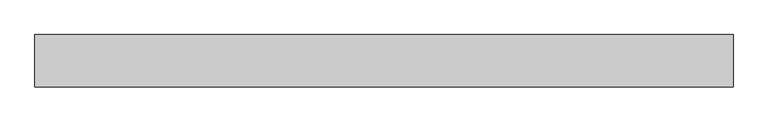
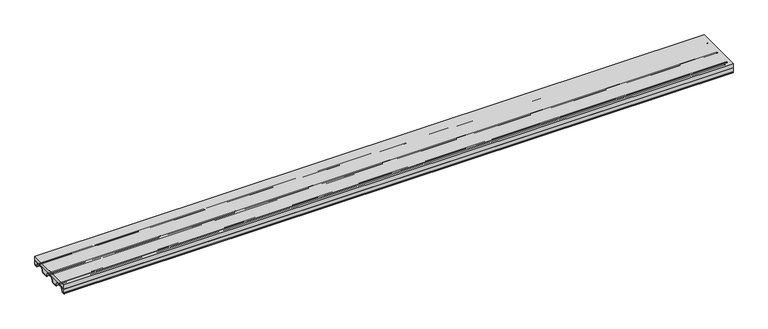
"""IFC4 building model written with IfcOpenShell, lengths in millimetres: beam geometry."""

from ifc_helpers import new_model, si_unit, point, frame, frame_2d, origin, place, context, project, spatial, polyline, circle_curve, trimmed, segment, composite_curve, outline, extrude, source, transform, mapped, element, save


def beam_3dcf1d05(model_context):
    return source(origin(), model_context, "Body", "SweptSolid", [
        extrude(outline(composite_curve([segment(trimmed(circle_curve(frame_2d((325.9868702, -87.4742166)), 3.048), [point((325.9868702, -90.5222166))], [point((323.8316087, -85.3189552))], False, "CARTESIAN"), True, "CONTINUOUS"), segment(polyline([(323.8316087, -85.3189552), (325.0249331, -84.1256307)]), True, "CONTINUOUS"), segment(trimmed(circle_curve(frame_2d((323.9473024, -83.048)), 1.524), [point((325.0249331, -84.1256307))], [point((323.9473024, -81.524))], True, "CARTESIAN"), True, "CONTINUOUS"), segment(polyline([(323.9473024, -81.524), (276.0557453, -81.524)]), True, "CONTINUOUS"), segment(trimmed(circle_curve(frame_2d((276.0557453, -83.048)), 1.524), [point((276.0557453, -81.524))], [point((274.9781146, -84.1256307))], True, "CARTESIAN"), True, "CONTINUOUS"), segment(polyline([(274.9781146, -84.1256307), (276.171439, -85.3189552)]), True, "CONTINUOUS"), segment(trimmed(circle_curve(frame_2d((274.0161776, -87.4742166)), 3.048), [point((276.171439, -85.3189552))], [point((274.0161776, -90.5222166))], False, "CARTESIAN"), True, "CONTINUOUS"), segment(polyline([(274.0161776, -90.5222166), (238.9355625, -90.5222166)]), True, "CONTINUOUS"), segment(trimmed(circle_curve(frame_2d((238.9355625, -95.5260166)), 5.0038), [point((238.9355625, -90.5222166))], [point((234.35377, -93.5147503))], True, "CARTESIAN"), True, "CONTINUOUS"), segment(polyline([(234.35377, -93.5147503), (202.7051551, -165.6123076)]), True, "CONTINUOUS"), segment(trimmed(circle_curve(frame_2d((196.7278928, -162.9884729)), 6.5278), [point((202.7051551, -165.6123076))], [point((196.7278928, -169.5162729))], False, "CARTESIAN"), True, "CONTINUOUS"), segment(polyline([(196.7278928, -169.5162729), (160.0058554, -169.5162729)]), True, "CONTINUOUS"), segment(trimmed(circle_curve(frame_2d((160.0058554, -164.9950729)), 4.5212), [point((160.0058554, -169.5162729))], [point((158.0238918, -169.0587005))], False, "CARTESIAN"), True, "CONTINUOUS"), segment(polyline([(158.0238918, -169.0587005), (151.3154129, -165.7867568)]), True, "CONTINUOUS"), segment(trimmed(circle_curve(frame_2d((150.0015269, -168.4806223)), 2.9972), [point((151.3154129, -165.7867568))], [point((148.6876409, -165.7867568))], True, "CARTESIAN"), True, "CONTINUOUS"), segment(polyline([(148.6876409, -165.7867568), (141.979162, -169.0587005)]), True, "CONTINUOUS"), segment(trimmed(circle_curve(frame_2d((139.9971984, -164.9950729)), 4.5212), [point((141.979162, -169.0587005))], [point((139.9971984, -169.5162729))], False, "CARTESIAN"), True, "CONTINUOUS"), segment(polyline([(139.9971984, -169.5162729), (103.275161, -169.5162729)]), True, "CONTINUOUS"), segment(trimmed(circle_curve(frame_2d((103.275161, -162.9884729)), 6.5278), [point((103.275161, -169.5162729))], [point((97.2978987, -165.6123076))], False, "CARTESIAN"), True, "CONTINUOUS"), segment(polyline([(97.2978987, -165.6123076), (65.6492838, -93.5147503)]), True, "CONTINUOUS"), segment(trimmed(circle_curve(frame_2d((61.0674913, -95.5260166)), 5.0038), [point((65.6492838, -93.5147503))], [point((61.0674913, -90.5222166))], True, "CARTESIAN"), True, "CONTINUOUS"), segment(polyline([(61.0674913, -90.5222166), (25.9868762, -90.5222166)]), True, "CONTINUOUS"), segment(trimmed(circle_curve(frame_2d((25.9868762, -87.4742166)), 3.048), [point((25.9868762, -90.5222166))], [point((23.8316148, -85.3189552))], False, "CARTESIAN"), True, "CONTINUOUS"), segment(polyline([(23.8316148, -85.3189552), (25.0249392, -84.1256307)]), True, "CONTINUOUS"), segment(trimmed(circle_curve(frame_2d((23.9473085, -83.048)), 1.524), [point((25.0249392, -84.1256307))], [point((23.9473085, -81.524))], True, "CARTESIAN"), True, "CONTINUOUS"), segment(polyline([(23.9473085, -81.524), (-23.9442486, -81.524)]), True, "CONTINUOUS"), segment(trimmed(circle_curve(frame_2d((-23.9442486, -83.048)), 1.524), [point((-23.9442486, -81.524))], [point((-25.0218793, -84.1256307))], True, "CARTESIAN"), True, "CONTINUOUS"), segment(polyline([(-25.0218793, -84.1256307), (-23.8285549, -85.3189552)]), True, "CONTINUOUS"), segment(trimmed(circle_curve(frame_2d((-25.9838164, -87.4742166)), 3.048), [point((-23.8285549, -85.3189552))], [point((-25.9838164, -90.5222166))], False, "CARTESIAN"), True, "CONTINUOUS"), segment(polyline([(-25.9838164, -90.5222166), (-61.0644314, -90.5222166)]), True, "CONTINUOUS"), segment(trimmed(circle_curve(frame_2d((-61.0644314, -95.5260166)), 5.0038), [point((-61.0644314, -90.5222166))], [point((-65.6462239, -93.5147503))], True, "CARTESIAN"), True, "CONTINUOUS"), segment(polyline([(-65.6462239, -93.5147503), (-97.2948388, -165.6123076)]), True, "CONTINUOUS"), segment(trimmed(circle_curve(frame_2d((-103.2721011, -162.9884729)), 6.5278), [point((-97.2948388, -165.6123076))], [point((-103.2721011, -169.5162729))], False, "CARTESIAN"), True, "CONTINUOUS"), segment(polyline([(-103.2721011, -169.5162729), (-139.9941385, -169.5162729)]), True, "CONTINUOUS"), segment(trimmed(circle_curve(frame_2d((-139.9941385, -164.9950729)), 4.5212), [point((-139.9941385, -169.5162729))], [point((-141.9761022, -169.0587005))], False, "CARTESIAN"), True, "CONTINUOUS"), segment(polyline([(-141.9761022, -169.0587005), (-148.6845811, -165.7867568)]), True, "CONTINUOUS"), segment(trimmed(circle_curve(frame_2d((-149.9984671, -168.4806223)), 2.9972), [point((-148.6845811, -165.7867568))], [point((-151.3123531, -165.7867568))], True, "CARTESIAN"), True, "CONTINUOUS"), segment(polyline([(-151.3123531, -165.7867568), (-158.0208319, -169.0587005)]), True, "CONTINUOUS"), segment(trimmed(circle_curve(frame_2d((-160.0027956, -164.9950729)), 4.5212), [point((-158.0208319, -169.0587005))], [point((-160.0027956, -169.5162729))], False, "CARTESIAN"), True, "CONTINUOUS"), segment(polyline([(-160.0027956, -169.5162729), (-196.724833, -169.5162729)]), True, "CONTINUOUS"), segment(trimmed(circle_curve(frame_2d((-196.724833, -162.9884729)), 6.5278), [point((-196.724833, -169.5162729))], [point((-202.7020952, -165.6123076))], False, "CARTESIAN"), True, "CONTINUOUS"), segment(polyline([(-202.7020952, -165.6123076), (-234.3507102, -93.5147503)]), True, "CONTINUOUS"), segment(trimmed(circle_curve(frame_2d((-238.9325027, -95.5260166)), 5.0038), [point((-234.3507102, -93.5147503))], [point((-238.9325027, -90.5222166))], True, "CARTESIAN"), True, "CONTINUOUS"), segment(polyline([(-238.9325027, -90.5222166), (-274.0131177, -90.5222166)]), True, "CONTINUOUS"), segment(trimmed(circle_curve(frame_2d((-274.0131177, -87.4742166)), 3.048), [point((-274.0131177, -90.5222166))], [point((-276.1683792, -85.3189552))], False, "CARTESIAN"), True, "CONTINUOUS"), segment(polyline([(-276.1683792, -85.3189552), (-274.9750548, -84.1256307)]), True, "CONTINUOUS"), segment(trimmed(circle_curve(frame_2d((-276.0526855, -83.048)), 1.524), [point((-274.9750548, -84.1256307))], [point((-276.0526855, -81.524))], True, "CARTESIAN"), True, "CONTINUOUS"), segment(polyline([(-276.0526855, -81.524), (-323.9442425, -81.524)]), True, "CONTINUOUS"), segment(trimmed(circle_curve(frame_2d((-323.9442425, -83.048)), 1.524), [point((-323.9442425, -81.524))], [point((-325.0218733, -84.1256307))], True, "CARTESIAN"), True, "CONTINUOUS"), segment(polyline([(-325.0218733, -84.1256307), (-323.8285489, -85.3189552)]), True, "CONTINUOUS"), segment(trimmed(circle_curve(frame_2d((-325.9838103, -87.4742166)), 3.048), [point((-323.8285489, -85.3189552))], [point((-325.9838103, -90.5222166))], False, "CARTESIAN"), True, "CONTINUOUS"), segment(polyline([(-325.9838103, -90.5222166), (-361.0644254, -90.5222166)]), True, "CONTINUOUS"), segment(trimmed(circle_curve(frame_2d((-361.0644254, -95.5260166)), 5.0038), [point((-361.0644254, -90.5222166))], [point((-365.6462178, -93.5147503))], True, "CARTESIAN"), True, "CONTINUOUS"), segment(polyline([(-365.6462178, -93.5147503), (-397.2948328, -165.6123076)]), True, "CONTINUOUS"), segment(trimmed(circle_curve(frame_2d((-403.2720951, -162.9884729)), 6.5278), [point((-397.2948328, -165.6123076))], [point((-403.2720951, -169.5162729))], False, "CARTESIAN"), True, "CONTINUOUS"), segment(polyline([(-403.2720951, -169.5162729), (-445.2863434, -169.5162729)]), True, "CONTINUOUS"), segment(trimmed(circle_curve(frame_2d((-445.2863434, -164.9950729)), 4.5212), [point((-445.2863434, -169.5162729))], [point((-449.7903389, -165.3891214))], False, "CARTESIAN"), True, "CONTINUOUS"), segment(polyline([(-449.7903389, -165.3891214), (-450.7358163, -154.5822653), (-449.2176206, -154.4493822), (-448.2721382, -165.2562961)]), True, "CONTINUOUS"), segment(trimmed(circle_curve(frame_2d((-445.2863434, -164.9950729)), 2.9972), [point((-448.2721382, -165.2562961))], [point((-445.2863434, -167.9922729))], True, "CARTESIAN"), True, "CONTINUOUS"), segment(polyline([(-445.2863434, -167.9922729), (-403.2720951, -167.9922729)]), True, "CONTINUOUS"), segment(trimmed(circle_curve(frame_2d((-403.2720951, -162.9884729)), 5.0038), [point((-403.2720951, -167.9922729))], [point((-398.6903026, -164.9997392))], True, "CARTESIAN"), True, "CONTINUOUS"), segment(polyline([(-398.6903026, -164.9997392), (-396.7498985, -160.5793753), (-397.5874284, -156.3879478)]), True, "CONTINUOUS"), segment(trimmed(circle_curve(frame_2d((-394.6234225, -155.795681)), 3.0226), [point((-397.5874284, -156.3879478))], [point((-397.3911043, -154.5807536))], False, "CARTESIAN"), True, "CONTINUOUS"), segment(polyline([(-397.3911043, -154.5807536), (-373.459026, -100.0619577)]), True, "CONTINUOUS"), segment(trimmed(circle_curve(frame_2d((-370.6913443, -101.276885)), 3.0226), [point((-373.459026, -100.0619577))], [point((-372.2616427, -98.6941978))], False, "CARTESIAN"), True, "CONTINUOUS"), segment(polyline([(-372.2616427, -98.6941978), (-368.6094413, -96.4736245), (-367.0416876, -92.9021819)]), True, "CONTINUOUS"), segment(trimmed(circle_curve(frame_2d((-361.0644254, -95.5260166)), 6.5278), [point((-367.0416876, -92.9021819))], [point((-361.0644254, -88.9982166))], False, "CARTESIAN"), True, "CONTINUOUS"), segment(polyline([(-361.0644254, -88.9982166), (-325.9838103, -88.9982166)]), True, "CONTINUOUS"), segment(trimmed(circle_curve(frame_2d((-325.9838103, -87.4742166)), 1.524), [point((-325.9838103, -88.9982166))], [point((-324.9061796, -86.3965859))], True, "CARTESIAN"), True, "CONTINUOUS"), segment(polyline([(-324.9061796, -86.3965859), (-326.099504, -85.2032615)]), True, "CONTINUOUS"), segment(trimmed(circle_curve(frame_2d((-323.9442425, -83.048)), 3.048), [point((-326.099504, -85.2032615))], [point((-323.9442425, -80.0))], False, "CARTESIAN"), True, "CONTINUOUS"), segment(polyline([(-323.9442425, -80.0), (-276.0526855, -80.0)]), True, "CONTINUOUS"), segment(trimmed(circle_curve(frame_2d((-276.0526855, -83.048)), 3.048), [point((-276.0526855, -80.0))], [point((-273.897424, -85.2032615))], False, "CARTESIAN"), True, "CONTINUOUS"), segment(polyline([(-273.897424, -85.2032615), (-275.0907484, -86.3965859)]), True, "CONTINUOUS"), segment(trimmed(circle_curve(frame_2d((-274.0131177, -87.4742166)), 1.524), [point((-275.0907484, -86.3965859))], [point((-274.0131177, -88.9982166))], True, "CARTESIAN"), True, "CONTINUOUS"), segment(polyline([(-274.0131177, -88.9982166), (-238.9325027, -88.9982166)]), True, "CONTINUOUS"), segment(trimmed(circle_curve(frame_2d((-238.9325027, -95.5260166)), 6.5278), [point((-238.9325027, -88.9982166))], [point((-232.9552404, -92.9021819))], False, "CARTESIAN"), True, "CONTINUOUS"), segment(polyline([(-232.9552404, -92.9021819), (-231.3879192, -96.4726393), (-227.7265182, -98.698806)]), True, "CONTINUOUS"), segment(trimmed(circle_curve(frame_2d((-229.2968166, -101.2814933)), 3.0226), [point((-227.7265182, -98.698806))], [point((-226.5291349, -100.0665659))], False, "CARTESIAN"), True, "CONTINUOUS"), segment(polyline([(-226.5291349, -100.0665659), (-202.5970566, -154.5853619)]), True, "CONTINUOUS"), segment(trimmed(circle_curve(frame_2d((-205.3647384, -155.8002892)), 3.0226), [point((-202.5970566, -154.5853619))], [point((-202.4007325, -156.392556))], False, "CARTESIAN"), True, "CONTINUOUS"), segment(polyline([(-202.4007325, -156.392556), (-203.2403721, -160.5945414), (-201.3066255, -164.9997392)]), True, "CONTINUOUS"), segment(trimmed(circle_curve(frame_2d((-196.724833, -162.9884729)), 5.0038), [point((-201.3066255, -164.9997392))], [point((-196.724833, -167.9922729))], True, "CARTESIAN"), True, "CONTINUOUS"), segment(polyline([(-196.724833, -167.9922729), (-160.0027956, -167.9922729)]), True, "CONTINUOUS"), segment(trimmed(circle_curve(frame_2d((-160.0027956, -164.9950729)), 2.9972), [point((-160.0027956, -167.9922729))], [point((-158.6889096, -167.6889384))], True, "CARTESIAN"), True, "CONTINUOUS"), segment(polyline([(-158.6889096, -167.6889384), (-151.9804307, -164.4169946)]), True, "CONTINUOUS"), segment(trimmed(circle_curve(frame_2d((-149.9984671, -168.4806223)), 4.5212), [point((-151.9804307, -164.4169946))], [point((-148.0165034, -164.4169946))], False, "CARTESIAN"), True, "CONTINUOUS"), segment(polyline([(-148.0165034, -164.4169946), (-141.3080245, -167.6889384)]), True, "CONTINUOUS"), segment(trimmed(circle_curve(frame_2d((-139.9941385, -164.9950729)), 2.9972), [point((-141.3080245, -167.6889384))], [point((-139.9941385, -167.9922729))], True, "CARTESIAN"), True, "CONTINUOUS"), segment(polyline([(-139.9941385, -167.9922729), (-103.2721011, -167.9922729)]), True, "CONTINUOUS"), segment(trimmed(circle_curve(frame_2d((-103.2721011, -162.9884729)), 5.0038), [point((-103.2721011, -167.9922729))], [point((-98.6903086, -164.9997392))], True, "CARTESIAN"), True, "CONTINUOUS"), segment(polyline([(-98.6903086, -164.9997392), (-96.7499046, -160.5793753), (-97.5874344, -156.3879478)]), True, "CONTINUOUS"), segment(trimmed(circle_curve(frame_2d((-94.6234286, -155.795681)), 3.0226), [point((-97.5874344, -156.3879478))], [point((-97.3911103, -154.5807536))], False, "CARTESIAN"), True, "CONTINUOUS"), segment(polyline([(-97.3911103, -154.5807536), (-73.4590321, -100.0619577)]), True, "CONTINUOUS"), segment(trimmed(circle_curve(frame_2d((-70.6913503, -101.276885)), 3.0226), [point((-73.4590321, -100.0619577))], [point((-72.2616488, -98.6941978))], False, "CARTESIAN"), True, "CONTINUOUS"), segment(polyline([(-72.2616488, -98.6941978), (-68.6094474, -96.4736245), (-67.0416937, -92.9021819)]), True, "CONTINUOUS"), segment(trimmed(circle_curve(frame_2d((-61.0644314, -95.5260166)), 6.5278), [point((-67.0416937, -92.9021819))], [point((-61.0644314, -88.9982166))], False, "CARTESIAN"), True, "CONTINUOUS"), segment(polyline([(-61.0644314, -88.9982166), (-25.9838164, -88.9982166)]), True, "CONTINUOUS"), segment(trimmed(circle_curve(frame_2d((-25.9838164, -87.4742166)), 1.524), [point((-25.9838164, -88.9982166))], [point((-24.9061856, -86.3965859))], True, "CARTESIAN"), True, "CONTINUOUS"), segment(polyline([(-24.9061856, -86.3965859), (-26.0995101, -85.2032615)]), True, "CONTINUOUS"), segment(trimmed(circle_curve(frame_2d((-23.9442486, -83.048)), 3.048), [point((-26.0995101, -85.2032615))], [point((-23.9442486, -80.0))], False, "CARTESIAN"), True, "CONTINUOUS"), segment(polyline([(-23.9442486, -80.0), (23.9473085, -80.0)]), True, "CONTINUOUS"), segment(trimmed(circle_curve(frame_2d((23.9473085, -83.048)), 3.048), [point((23.9473085, -80.0))], [point((26.1025699, -85.2032615))], False, "CARTESIAN"), True, "CONTINUOUS"), segment(polyline([(26.1025699, -85.2032615), (24.9092455, -86.3965859)]), True, "CONTINUOUS"), segment(trimmed(circle_curve(frame_2d((25.9868762, -87.4742166)), 1.524), [point((24.9092455, -86.3965859))], [point((25.9868762, -88.9982166))], True, "CARTESIAN"), True, "CONTINUOUS"), segment(polyline([(25.9868762, -88.9982166), (61.0674913, -88.9982166)]), True, "CONTINUOUS"), segment(trimmed(circle_curve(frame_2d((61.0674913, -95.5260166)), 6.5278), [point((61.0674913, -88.9982166))], [point((67.0447535, -92.9021819))], False, "CARTESIAN"), True, "CONTINUOUS"), segment(polyline([(67.0447535, -92.9021819), (68.612291, -96.4731319), (72.2728818, -98.698806)]), True, "CONTINUOUS"), segment(trimmed(circle_curve(frame_2d((70.7025833, -101.2814933)), 3.0226), [point((72.2728818, -98.698806))], [point((73.4702651, -100.0665659))], False, "CARTESIAN"), True, "CONTINUOUS"), segment(polyline([(73.4702651, -100.0665659), (97.4023433, -154.5853619)]), True, "CONTINUOUS"), segment(trimmed(circle_curve(frame_2d((94.6346616, -155.8002892)), 3.0226), [point((97.4023433, -154.5853619))], [point((97.5986674, -156.392556))], False, "CARTESIAN"), True, "CONTINUOUS"), segment(polyline([(97.5986674, -156.392556), (96.7592137, -160.5936116), (98.6933685, -164.9997392)]), True, "CONTINUOUS"), segment(trimmed(circle_curve(frame_2d((103.275161, -162.9884729)), 5.0038), [point((98.6933685, -164.9997392))], [point((103.275161, -167.9922729))], True, "CARTESIAN"), True, "CONTINUOUS"), segment(polyline([(103.275161, -167.9922729), (139.9971984, -167.9922729)]), True, "CONTINUOUS"), segment(trimmed(circle_curve(frame_2d((139.9971984, -164.9950729)), 2.9972), [point((139.9971984, -167.9922729))], [point((141.3110844, -167.6889384))], True, "CARTESIAN"), True, "CONTINUOUS"), segment(polyline([(141.3110844, -167.6889384), (148.0195633, -164.4169946)]), True, "CONTINUOUS"), segment(trimmed(circle_curve(frame_2d((150.0015269, -168.4806223)), 4.5212), [point((148.0195633, -164.4169946))], [point((151.9834905, -164.4169946))], False, "CARTESIAN"), True, "CONTINUOUS"), segment(polyline([(151.9834905, -164.4169946), (158.6919694, -167.6889384)]), True, "CONTINUOUS"), segment(trimmed(circle_curve(frame_2d((160.0058554, -164.9950729)), 2.9972), [point((158.6919694, -167.6889384))], [point((160.0058554, -167.9922729))], True, "CARTESIAN"), True, "CONTINUOUS"), segment(polyline([(160.0058554, -167.9922729), (196.7278928, -167.9922729)]), True, "CONTINUOUS"), segment(trimmed(circle_curve(frame_2d((196.7278928, -162.9884729)), 5.0038), [point((196.7278928, -167.9922729))], [point((201.3096853, -164.9997392))], True, "CARTESIAN"), True, "CONTINUOUS"), segment(polyline([(201.3096853, -164.9997392), (203.1714012, -160.7586319), (202.3338714, -156.5672044)]), True, "CONTINUOUS"), segment(trimmed(circle_curve(frame_2d((205.2978772, -155.9749376)), 3.0226), [point((202.3338714, -156.5672044))], [point((202.5301955, -154.7600102))], False, "CARTESIAN"), True, "CONTINUOUS"), segment(polyline([(202.5301955, -154.7600102), (226.4622737, -100.2412143)]), True, "CONTINUOUS"), segment(trimmed(circle_curve(frame_2d((229.2299555, -101.4561416)), 3.0226), [point((226.4622737, -100.2412143))], [point((227.659657, -98.8734543))], False, "CARTESIAN"), True, "CONTINUOUS"), segment(polyline([(227.659657, -98.8734543), (231.3118584, -96.6528811), (232.9583003, -92.9021819)]), True, "CONTINUOUS"), segment(trimmed(circle_curve(frame_2d((238.9355625, -95.5260166)), 6.5278), [point((232.9583003, -92.9021819))], [point((238.9355625, -88.9982166))], False, "CARTESIAN"), True, "CONTINUOUS"), segment(polyline([(238.9355625, -88.9982166), (274.0161776, -88.9982166)]), True, "CONTINUOUS"), segment(trimmed(circle_curve(frame_2d((274.0161776, -87.4742166)), 1.524), [point((274.0161776, -88.9982166))], [point((275.0938083, -86.3965859))], True, "CARTESIAN"), True, "CONTINUOUS"), segment(polyline([(275.0938083, -86.3965859), (273.9004839, -85.2032615)]), True, "CONTINUOUS"), segment(trimmed(circle_curve(frame_2d((276.0557453, -83.048)), 3.048), [point((273.9004839, -85.2032615))], [point((276.0557453, -80.0))], False, "CARTESIAN"), True, "CONTINUOUS"), segment(polyline([(276.0557453, -80.0), (323.9473024, -80.0)]), True, "CONTINUOUS"), segment(trimmed(circle_curve(frame_2d((323.9473024, -83.048)), 3.048), [point((323.9473024, -80.0))], [point((326.1025639, -85.2032615))], False, "CARTESIAN"), True, "CONTINUOUS"), segment(polyline([(326.1025639, -85.2032615), (324.9092394, -86.3965859)]), True, "CONTINUOUS"), segment(trimmed(circle_curve(frame_2d((325.9868702, -87.4742166)), 1.524), [point((324.9092394, -86.3965859))], [point((325.9868702, -88.9982166))], True, "CARTESIAN"), True, "CONTINUOUS"), segment(polyline([(325.9868702, -88.9982166), (361.0674852, -88.9982166)]), True, "CONTINUOUS"), segment(trimmed(circle_curve(frame_2d((361.0674852, -95.5260166)), 6.5278), [point((361.0674852, -88.9982166))], [point((367.0447475, -92.9021819))], False, "CARTESIAN"), True, "CONTINUOUS"), segment(polyline([(367.0447475, -92.9021819), (368.614524, -96.4782327), (372.2667255, -98.698806)]), True, "CONTINUOUS"), segment(trimmed(circle_curve(frame_2d((370.696427, -101.2814933)), 3.0226), [point((372.2667255, -98.698806))], [point((373.4641088, -100.0665659))], False, "CARTESIAN"), True, "CONTINUOUS"), segment(polyline([(373.4641088, -100.0665659), (397.396187, -154.5853619)]), True, "CONTINUOUS"), segment(trimmed(circle_curve(frame_2d((394.6285052, -155.8002892)), 3.0226), [point((397.396187, -154.5853619))], [point((397.5925111, -156.392556))], False, "CARTESIAN"), True, "CONTINUOUS"), segment(polyline([(397.5925111, -156.392556), (396.7549812, -160.5839836), (398.6933624, -164.9997392)]), True, "CONTINUOUS"), segment(trimmed(circle_curve(frame_2d((403.2751549, -162.9884729)), 5.0038), [point((398.6933624, -164.9997392))], [point((403.2751549, -167.9922729))], True, "CARTESIAN"), True, "CONTINUOUS"), segment(polyline([(403.2751549, -167.9922729), (441.9131205, -167.9922729)]), True, "CONTINUOUS"), segment(trimmed(circle_curve(frame_2d((441.9131205, -164.9950729)), 2.9972), [point((441.9131205, -167.9922729))], [point((444.8989152, -165.2562961))], True, "CARTESIAN"), True, "CONTINUOUS"), segment(polyline([(444.8989152, -165.2562961), (446.0017103, -152.6554149)]), True, "CONTINUOUS"), segment(trimmed(circle_curve(frame_2d((450.0, -153.0051918)), 4.0135601), [point((446.0017103, -152.6554149))], [point((450.0, -148.9916318))], False, "CARTESIAN"), True, "CONTINUOUS"), segment(polyline([(450.0, -148.9916318), (450.0, -150.953095)]), True, "CONTINUOUS"), segment(trimmed(circle_curve(frame_2d((450.0666507, -153.441764)), 2.4895613), [point((450.0, -150.953095))], [point((447.586569, -153.2247141))], True, "CARTESIAN"), True, "CONTINUOUS"), segment(polyline([(447.586569, -153.2247141), (446.5219625, -165.3892492)]), True, "CONTINUOUS"), segment(trimmed(circle_curve(frame_2d((442.0179783, -164.9950729)), 4.5212), [point((446.5219625, -165.3892492))], [point((442.0179783, -169.5162729))], False, "CARTESIAN"), True, "CONTINUOUS"), segment(polyline([(442.0179783, -169.5162729), (403.2751549, -169.5162729)]), True, "CONTINUOUS"), segment(trimmed(circle_curve(frame_2d((403.2751549, -162.9884729)), 6.5278), [point((403.2751549, -169.5162729))], [point((397.2978926, -165.6123076))], False, "CARTESIAN"), True, "CONTINUOUS"), segment(polyline([(397.2978926, -165.6123076), (365.6492777, -93.5147503)]), True, "CONTINUOUS"), segment(trimmed(circle_curve(frame_2d((361.0674852, -95.5260166)), 5.0038), [point((365.6492777, -93.5147503))], [point((361.0674852, -90.5222166))], True, "CARTESIAN"), True, "CONTINUOUS"), segment(polyline([(361.0674852, -90.5222166), (325.9868702, -90.5222166)]), True, "CONTINUOUS")], self_intersect=False), holes=[composite_curve([segment(polyline([(-369.6774217, -98.9065518), (-371.4698956, -99.996393)]), True, "CONTINUOUS"), segment(trimmed(circle_curve(frame_2d((-370.6913443, -101.276885)), 1.4986), [point((-371.4698956, -99.996393))], [point((-372.0635562, -100.6745261))], True, "CARTESIAN"), True, "CONTINUOUS"), segment(polyline([(-372.0635562, -100.6745261), (-395.9956345, -155.193322)]), True, "CONTINUOUS"), segment(trimmed(circle_curve(frame_2d((-394.6234225, -155.795681)), 1.4986), [point((-395.9956345, -155.193322))], [point((-396.0929716, -156.0893259))], True, "CARTESIAN"), True, "CONTINUOUS"), segment(polyline([(-396.0929716, -156.0893259), (-395.6819181, -158.146448), (-369.6774217, -98.9065518)]), True, "CONTINUOUS")], self_intersect=False), composite_curve([segment(trimmed(circle_curve(frame_2d((-94.6234286, -155.795681)), 1.4986), [point((-95.9956405, -155.193322))], [point((-96.0929777, -156.0893259))], True, "CARTESIAN"), True, "CONTINUOUS"), segment(polyline([(-96.0929777, -156.0893259), (-95.6819241, -158.146448), (-69.6774278, -98.9065518), (-71.4699017, -99.996393)]), True, "CONTINUOUS"), segment(trimmed(circle_curve(frame_2d((-70.6913503, -101.276885)), 1.4986), [point((-71.4699017, -99.996393))], [point((-72.0635623, -100.6745261))], True, "CARTESIAN"), True, "CONTINUOUS"), segment(polyline([(-72.0635623, -100.6745261), (-95.9956405, -155.193322)]), True, "CONTINUOUS")], self_intersect=False), composite_curve([segment(trimmed(circle_curve(frame_2d((205.2978772, -155.9749376)), 1.4986), [point((203.9256653, -155.3725786))], [point((203.8283281, -156.2685824))], True, "CARTESIAN"), True, "CONTINUOUS"), segment(polyline([(203.8283281, -156.2685824), (204.2393817, -158.3257046), (230.243878, -99.0858084), (228.4514041, -100.1756496)]), True, "CONTINUOUS"), segment(trimmed(circle_curve(frame_2d((229.2299555, -101.4561416)), 1.4986), [point((228.4514041, -100.1756496))], [point((227.8577435, -100.8537827))], True, "CARTESIAN"), True, "CONTINUOUS"), segment(polyline([(227.8577435, -100.8537827), (203.9256653, -155.3725786)]), True, "CONTINUOUS")], self_intersect=False), composite_curve([segment(polyline([(396.0007172, -155.1979303), (372.068639, -100.6791343)]), True, "CONTINUOUS"), segment(trimmed(circle_curve(frame_2d((370.696427, -101.2814933)), 1.4986), [point((372.068639, -100.6791343))], [point((371.4749784, -100.0010013))], True, "CARTESIAN"), True, "CONTINUOUS"), segment(polyline([(371.4749784, -100.0010013), (369.6825045, -98.9111601), (395.6870008, -158.1510562), (396.0980544, -156.0939341)]), True, "CONTINUOUS"), segment(trimmed(circle_curve(frame_2d((394.6285052, -155.8002892)), 1.4986), [point((396.0980544, -156.0939341))], [point((396.0007172, -155.1979303))], True, "CARTESIAN"), True, "CONTINUOUS")], self_intersect=False), composite_curve([segment(polyline([(96.0068735, -155.1979303), (72.0747953, -100.6791343)]), True, "CONTINUOUS"), segment(trimmed(circle_curve(frame_2d((70.7025833, -101.2814933)), 1.4986), [point((72.0747953, -100.6791343))], [point((71.4811347, -100.0010013))], True, "CARTESIAN"), True, "CONTINUOUS"), segment(polyline([(71.4811347, -100.0010013), (69.6802714, -98.9060593), (95.6912333, -158.1606842), (96.1042107, -156.0939341)]), True, "CONTINUOUS"), segment(trimmed(circle_curve(frame_2d((94.6346616, -155.8002892)), 1.4986), [point((96.1042107, -156.0939341))], [point((96.0068735, -155.1979303))], True, "CARTESIAN"), True, "CONTINUOUS")], self_intersect=False), composite_curve([segment(polyline([(-203.9925264, -155.1979303), (-227.9246047, -100.6791343)]), True, "CONTINUOUS"), segment(trimmed(circle_curve(frame_2d((-229.2968166, -101.2814933)), 1.4986), [point((-227.9246047, -100.6791343))], [point((-228.5182653, -100.0010013))], True, "CARTESIAN"), True, "CONTINUOUS"), segment(polyline([(-228.5182653, -100.0010013), (-230.3191285, -98.9060593), (-204.3081667, -158.1606842), (-203.8951893, -156.0939341)]), True, "CONTINUOUS"), segment(trimmed(circle_curve(frame_2d((-205.3647384, -155.8002892)), 1.4986), [point((-203.8951893, -156.0939341))], [point((-203.9925264, -155.1979303))], True, "CARTESIAN"), True, "CONTINUOUS")], self_intersect=False)]), frame((-6000.0, 0.0, 0.0), z_axis=(1.0, 0.0, 0.0), x_axis=(0.0, 1.0, 0.0)), (0.0, 0.0, 1.0), 12000.0),
        extrude(outline(composite_curve([segment(polyline([(-449.0699569, -165.2562961), (-450.0, -154.6258544), (-450.0, -80.0), (-323.2122398, -80.0)]), True, "CONTINUOUS"), segment(trimmed(circle_curve(frame_2d((-323.2122398, -83.048)), 3.048), [point((-323.2122398, -80.0))], [point((-325.3675013, -85.2032615))], True, "CARTESIAN"), True, "CONTINUOUS"), segment(polyline([(-325.3675013, -85.2032615), (-324.1741769, -86.3965859)]), True, "CONTINUOUS"), segment(trimmed(circle_curve(frame_2d((-325.2518076, -87.4742166)), 1.524), [point((-324.1741769, -86.3965859))], [point((-325.2518076, -88.9982166))], False, "CARTESIAN"), True, "CONTINUOUS"), segment(polyline([(-325.2518076, -88.9982166), (-360.3324226, -88.9982166)]), True, "CONTINUOUS"), segment(trimmed(circle_curve(frame_2d((-360.3324226, -95.5260166)), 6.5278), [point((-360.3324226, -88.9982166))], [point((-366.3096849, -92.9021819))], True, "CARTESIAN"), True, "CONTINUOUS"), segment(polyline([(-366.3096849, -92.9021819), (-367.8774386, -96.4736245), (-371.52964, -98.6941978)]), True, "CONTINUOUS"), segment(trimmed(circle_curve(frame_2d((-369.9593416, -101.276885)), 3.0226), [point((-371.52964, -98.6941978))], [point((-372.7270233, -100.0619577))], True, "CARTESIAN"), True, "CONTINUOUS"), segment(polyline([(-372.7270233, -100.0619577), (-396.6591015, -154.5807536)]), True, "CONTINUOUS"), segment(trimmed(circle_curve(frame_2d((-393.8914198, -155.795681)), 3.0226), [point((-396.6591015, -154.5807536))], [point((-396.8554257, -156.3879478))], True, "CARTESIAN"), True, "CONTINUOUS"), segment(polyline([(-396.8554257, -156.3879478), (-396.0178958, -160.5793753), (-397.9582999, -164.9997392)]), True, "CONTINUOUS"), segment(trimmed(circle_curve(frame_2d((-402.5400923, -162.9884729)), 5.0038), [point((-397.9582999, -164.9997392))], [point((-402.5400923, -167.9922729))], False, "CARTESIAN"), True, "CONTINUOUS"), segment(polyline([(-402.5400923, -167.9922729), (-446.0841621, -167.9922729)]), True, "CONTINUOUS"), segment(trimmed(circle_curve(frame_2d((-446.0841621, -164.9950729)), 2.9972), [point((-446.0841621, -167.9922729))], [point((-449.0699569, -165.2562961))], False, "CARTESIAN"), True, "CONTINUOUS")], self_intersect=False)), frame((-6000.0, 0.0, 0.0), z_axis=(1.0, 0.0, 0.0), x_axis=(0.0, 1.0, 0.0)), (0.0, 0.0, 1.0), 12000.0),
        extrude(outline(composite_curve([segment(trimmed(circle_curve(frame_2d((-275.3206828, -83.048)), 3.048), [point((-273.1654213, -85.2032615))], [point((-275.3206828, -80.0))], True, "CARTESIAN"), True, "CONTINUOUS"), segment(polyline([(-275.3206828, -80.0), (-40.7830922, -80.0), (-23.2122459, -80.0)]), True, "CONTINUOUS"), segment(trimmed(circle_curve(frame_2d((-23.2122459, -83.048)), 3.048), [point((-23.2122459, -80.0))], [point((-25.3675074, -85.2032615))], True, "CARTESIAN"), True, "CONTINUOUS"), segment(polyline([(-25.3675074, -85.2032615), (-24.1741829, -86.3965859)]), True, "CONTINUOUS"), segment(trimmed(circle_curve(frame_2d((-25.2518137, -87.4742166)), 1.524), [point((-24.1741829, -86.3965859))], [point((-25.2518137, -88.9982166))], False, "CARTESIAN"), True, "CONTINUOUS"), segment(polyline([(-25.2518137, -88.9982166), (-60.3324287, -88.9982166)]), True, "CONTINUOUS"), segment(trimmed(circle_curve(frame_2d((-60.3324287, -95.5260166)), 6.5278), [point((-60.3324287, -88.9982166))], [point((-66.309691, -92.9021819))], True, "CARTESIAN"), True, "CONTINUOUS"), segment(polyline([(-66.309691, -92.9021819), (-67.8774446, -96.4736245), (-71.5296461, -98.6941978)]), True, "CONTINUOUS"), segment(trimmed(circle_curve(frame_2d((-69.9593476, -101.276885)), 3.0226), [point((-71.5296461, -98.6941978))], [point((-72.7270294, -100.0619577))], True, "CARTESIAN"), True, "CONTINUOUS"), segment(polyline([(-72.7270294, -100.0619577), (-96.6591076, -154.5807536)]), True, "CONTINUOUS"), segment(trimmed(circle_curve(frame_2d((-93.8914258, -155.795681)), 3.0226), [point((-96.6591076, -154.5807536))], [point((-96.8554317, -156.3879478))], True, "CARTESIAN"), True, "CONTINUOUS"), segment(polyline([(-96.8554317, -156.3879478), (-96.0179018, -160.5793753), (-97.9583059, -164.9997392)]), True, "CONTINUOUS"), segment(trimmed(circle_curve(frame_2d((-102.5400984, -162.9884729)), 5.0038), [point((-97.9583059, -164.9997392))], [point((-102.5400984, -167.9922729))], False, "CARTESIAN"), True, "CONTINUOUS"), segment(polyline([(-102.5400984, -167.9922729), (-139.2621358, -167.9922729)]), True, "CONTINUOUS"), segment(trimmed(circle_curve(frame_2d((-139.2621358, -164.9950729)), 2.9972), [point((-139.2621358, -167.9922729))], [point((-140.5760218, -167.6889384))], False, "CARTESIAN"), True, "CONTINUOUS"), segment(polyline([(-140.5760218, -167.6889384), (-147.2845007, -164.4169946)]), True, "CONTINUOUS"), segment(trimmed(circle_curve(frame_2d((-149.2664643, -168.4806223)), 4.5212), [point((-147.2845007, -164.4169946))], [point((-151.248428, -164.4169946))], True, "CARTESIAN"), True, "CONTINUOUS"), segment(polyline([(-151.248428, -164.4169946), (-157.9569068, -167.6889384)]), True, "CONTINUOUS"), segment(trimmed(circle_curve(frame_2d((-159.2707928, -164.9950729)), 2.9972), [point((-157.9569068, -167.6889384))], [point((-159.2707928, -167.9922729))], False, "CARTESIAN"), True, "CONTINUOUS"), segment(polyline([(-159.2707928, -167.9922729), (-195.9928302, -167.9922729)]), True, "CONTINUOUS"), segment(trimmed(circle_curve(frame_2d((-195.9928302, -162.9884729)), 5.0038), [point((-195.9928302, -167.9922729))], [point((-200.5746227, -164.9997392))], False, "CARTESIAN"), True, "CONTINUOUS"), segment(polyline([(-200.5746227, -164.9997392), (-202.5083693, -160.5945414), (-201.6687298, -156.392556)]), True, "CONTINUOUS"), segment(trimmed(circle_curve(frame_2d((-204.6327357, -155.8002892)), 3.0226), [point((-201.6687298, -156.392556))], [point((-201.8650539, -154.5853619))], True, "CARTESIAN"), True, "CONTINUOUS"), segment(polyline([(-201.8650539, -154.5853619), (-225.7971322, -100.0665659)]), True, "CONTINUOUS"), segment(trimmed(circle_curve(frame_2d((-228.5648139, -101.2814933)), 3.0226), [point((-225.7971322, -100.0665659))], [point((-226.9945154, -98.698806))], True, "CARTESIAN"), True, "CONTINUOUS"), segment(polyline([(-226.9945154, -98.698806), (-230.6559165, -96.4726393), (-232.2232377, -92.9021819)]), True, "CONTINUOUS"), segment(trimmed(circle_curve(frame_2d((-238.2005, -95.5260166)), 6.5278), [point((-232.2232377, -92.9021819))], [point((-238.2005, -88.9982166))], True, "CARTESIAN"), True, "CONTINUOUS"), segment(polyline([(-238.2005, -88.9982166), (-273.281115, -88.9982166)]), True, "CONTINUOUS"), segment(trimmed(circle_curve(frame_2d((-273.281115, -87.4742166)), 1.524), [point((-273.281115, -88.9982166))], [point((-274.3587457, -86.3965859))], False, "CARTESIAN"), True, "CONTINUOUS"), segment(polyline([(-274.3587457, -86.3965859), (-273.1654213, -85.2032615)]), True, "CONTINUOUS")], self_intersect=False)), frame((-6000.0, 0.0, 0.0), z_axis=(1.0, 0.0, 0.0), x_axis=(0.0, 1.0, 0.0)), (0.0, 0.0, 1.0), 12000.0),
        extrude(outline(composite_curve([segment(trimmed(circle_curve(frame_2d((24.3133098, -83.048)), 3.048), [point((26.4685713, -85.2032615))], [point((24.3133098, -80.0))], True, "CARTESIAN"), True, "CONTINUOUS"), segment(polyline([(24.3133098, -80.0), (209.3133098, -80.0), (276.4217467, -80.0)]), True, "CONTINUOUS"), segment(trimmed(circle_curve(frame_2d((276.4217467, -83.048)), 3.048), [point((276.4217467, -80.0))], [point((274.2664852, -85.2032615))], True, "CARTESIAN"), True, "CONTINUOUS"), segment(polyline([(274.2664852, -85.2032615), (275.4598097, -86.3965859)]), True, "CONTINUOUS"), segment(trimmed(circle_curve(frame_2d((274.3821789, -87.4742166)), 1.524), [point((275.4598097, -86.3965859))], [point((274.3821789, -88.9982166))], False, "CARTESIAN"), True, "CONTINUOUS"), segment(polyline([(274.3821789, -88.9982166), (239.3015639, -88.9982166)]), True, "CONTINUOUS"), segment(trimmed(circle_curve(frame_2d((239.3015639, -95.5260166)), 6.5278), [point((239.3015639, -88.9982166))], [point((233.3243016, -92.9021819))], True, "CARTESIAN"), True, "CONTINUOUS"), segment(polyline([(233.3243016, -92.9021819), (231.6778598, -96.6528811), (228.0256584, -98.8734543)]), True, "CONTINUOUS"), segment(trimmed(circle_curve(frame_2d((229.5959568, -101.4561416)), 3.0226), [point((228.0256584, -98.8734543))], [point((226.8282751, -100.2412143))], True, "CARTESIAN"), True, "CONTINUOUS"), segment(polyline([(226.8282751, -100.2412143), (202.8961968, -154.7600102)]), True, "CONTINUOUS"), segment(trimmed(circle_curve(frame_2d((205.6638786, -155.9749376)), 3.0226), [point((202.8961968, -154.7600102))], [point((202.6998727, -156.5672044))], True, "CARTESIAN"), True, "CONTINUOUS"), segment(polyline([(202.6998727, -156.5672044), (203.5374026, -160.7586319), (201.6756867, -164.9997392)]), True, "CONTINUOUS"), segment(trimmed(circle_curve(frame_2d((197.0938942, -162.9884729)), 5.0038), [point((201.6756867, -164.9997392))], [point((197.0938942, -167.9922729))], False, "CARTESIAN"), True, "CONTINUOUS"), segment(polyline([(197.0938942, -167.9922729), (160.3718568, -167.9922729)]), True, "CONTINUOUS"), segment(trimmed(circle_curve(frame_2d((160.3718568, -164.9950729)), 2.9972), [point((160.3718568, -167.9922729))], [point((159.0579708, -167.6889384))], False, "CARTESIAN"), True, "CONTINUOUS"), segment(polyline([(159.0579708, -167.6889384), (152.3494919, -164.4169946)]), True, "CONTINUOUS"), segment(trimmed(circle_curve(frame_2d((150.3675282, -168.4806223)), 4.5212), [point((152.3494919, -164.4169946))], [point((148.3855646, -164.4169946))], True, "CARTESIAN"), True, "CONTINUOUS"), segment(polyline([(148.3855646, -164.4169946), (141.6770858, -167.6889384)]), True, "CONTINUOUS"), segment(trimmed(circle_curve(frame_2d((140.3631997, -164.9950729)), 2.9972), [point((141.6770858, -167.6889384))], [point((140.3631997, -167.9922729))], False, "CARTESIAN"), True, "CONTINUOUS"), segment(polyline([(140.3631997, -167.9922729), (103.6411623, -167.9922729)]), True, "CONTINUOUS"), segment(trimmed(circle_curve(frame_2d((103.6411623, -162.9884729)), 5.0038), [point((103.6411623, -167.9922729))], [point((99.0593699, -164.9997392))], False, "CARTESIAN"), True, "CONTINUOUS"), segment(polyline([(99.0593699, -164.9997392), (97.1252151, -160.5936116), (97.9646688, -156.392556)]), True, "CONTINUOUS"), segment(trimmed(circle_curve(frame_2d((95.0006629, -155.8002892)), 3.0226), [point((97.9646688, -156.392556))], [point((97.7683447, -154.5853619))], True, "CARTESIAN"), True, "CONTINUOUS"), segment(polyline([(97.7683447, -154.5853619), (73.8362664, -100.0665659)]), True, "CONTINUOUS"), segment(trimmed(circle_curve(frame_2d((71.0685847, -101.2814933)), 3.0226), [point((73.8362664, -100.0665659))], [point((72.6388832, -98.698806))], True, "CARTESIAN"), True, "CONTINUOUS"), segment(polyline([(72.6388832, -98.698806), (68.9782924, -96.4731319), (67.4107549, -92.9021819)]), True, "CONTINUOUS"), segment(trimmed(circle_curve(frame_2d((61.4334926, -95.5260166)), 6.5278), [point((67.4107549, -92.9021819))], [point((61.4334926, -88.9982166))], True, "CARTESIAN"), True, "CONTINUOUS"), segment(polyline([(61.4334926, -88.9982166), (26.3528776, -88.9982166)]), True, "CONTINUOUS"), segment(trimmed(circle_curve(frame_2d((26.3528776, -87.4742166)), 1.524), [point((26.3528776, -88.9982166))], [point((25.2752469, -86.3965859))], False, "CARTESIAN"), True, "CONTINUOUS"), segment(polyline([(25.2752469, -86.3965859), (26.4685713, -85.2032615)]), True, "CONTINUOUS")], self_intersect=False)), frame((-6000.0, 0.0, 0.0), z_axis=(1.0, 0.0, 0.0), x_axis=(0.0, 1.0, 0.0)), (0.0, 0.0, 1.0), 12000.0),
        extrude(outline(composite_curve([segment(trimmed(circle_curve(frame_2d((324.3133038, -83.048)), 3.048), [point((326.4685652, -85.2032615))], [point((324.3133038, -80.0))], True, "CARTESIAN"), True, "CONTINUOUS"), segment(polyline([(324.3133038, -80.0), (450.0, -80.0), (450.0, -148.9916318)]), True, "CONTINUOUS"), segment(trimmed(circle_curve(frame_2d((450.0, -153.0051918)), 4.0135601), [point((450.0, -148.9916318))], [point((446.0017227, -152.6552734))], True, "CARTESIAN"), True, "CONTINUOUS"), segment(polyline([(446.0017227, -152.6552734), (444.8989078, -165.2563809)]), True, "CONTINUOUS"), segment(trimmed(circle_curve(frame_2d((441.9131205, -164.9950729)), 2.9972), [point((444.8989078, -165.2563809))], [point((441.9131205, -167.9922729))], False, "CARTESIAN"), True, "CONTINUOUS"), segment(polyline([(441.9131205, -167.9922729), (403.2751549, -167.9922729)]), True, "CONTINUOUS"), segment(trimmed(circle_curve(frame_2d((403.2751549, -162.9884729)), 5.0038), [point((403.2751549, -167.9922729))], [point((398.6933624, -164.9997392))], False, "CARTESIAN"), True, "CONTINUOUS"), segment(polyline([(398.6933624, -164.9997392), (396.7549812, -160.5839836), (397.5925111, -156.392556)]), True, "CONTINUOUS"), segment(trimmed(circle_curve(frame_2d((394.6285052, -155.8002892)), 3.0226), [point((397.5925111, -156.392556))], [point((397.396187, -154.5853619))], True, "CARTESIAN"), True, "CONTINUOUS"), segment(polyline([(397.396187, -154.5853619), (373.8301101, -100.0665659)]), True, "CONTINUOUS"), segment(trimmed(circle_curve(frame_2d((371.0624284, -101.2814933)), 3.0226), [point((373.8301101, -100.0665659))], [point((372.6327268, -98.698806))], True, "CARTESIAN"), True, "CONTINUOUS"), segment(polyline([(372.6327268, -98.698806), (368.9805254, -96.4782327), (367.4107489, -92.9021819)]), True, "CONTINUOUS"), segment(trimmed(circle_curve(frame_2d((361.4334866, -95.5260166)), 6.5278), [point((367.4107489, -92.9021819))], [point((361.4334866, -88.9982166))], True, "CARTESIAN"), True, "CONTINUOUS"), segment(polyline([(361.4334866, -88.9982166), (326.3528715, -88.9982166)]), True, "CONTINUOUS"), segment(trimmed(circle_curve(frame_2d((326.3528715, -87.4742166)), 1.524), [point((326.3528715, -88.9982166))], [point((325.2752408, -86.3965859))], False, "CARTESIAN"), True, "CONTINUOUS"), segment(polyline([(325.2752408, -86.3965859), (326.4685652, -85.2032615)]), True, "CONTINUOUS")], self_intersect=False)), frame((-6000.0, 0.0, 0.0), z_axis=(1.0, 0.0, 0.0), x_axis=(0.0, 1.0, 0.0)), (0.0, 0.0, 1.0), 12000.0),
        extrude(outline(polyline([(6000.0, 450.3660014), (6000.0, -450.3660014), (-6000.0, -450.3660014), (-6000.0, 450.3660014), (6000.0, 450.3660014)])), frame((0.0, 0.0, -80.0), z_axis=(0.0, 0.0, 1.0), x_axis=(1.0, 0.0, 0.0)), (0.0, 0.0, 1.0), 80.0),
    ])


if __name__ == "__main__":
    model = new_model("IFC4")
    model_context = context("Model", 3, world=origin())
    ifc_project = project(units=[si_unit("LENGTHUNIT", "METRE", prefix="MILLI")], contexts=[model_context])
    site = spatial("IfcSite", under=ifc_project)
    building = spatial("IfcBuilding", under=site)
    placement = place(None, origin())
    beam_shape = beam_3dcf1d05(model_context)
    element("IfcBeam", 1, at=placement, inside=building, context=model_context, shape_type="MappedRepresentation", body=[
        mapped(beam_shape, transform((0.0, 0.0, 0.0), x_axis=(1.0, 0.0, 0.0), y_axis=(0.0, 1.0, 0.0), z_axis=(0.0, 0.0, 1.0))),
    ])
    save(model, "model.ifc")
